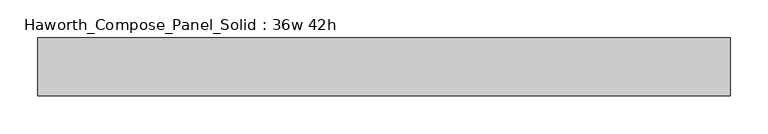
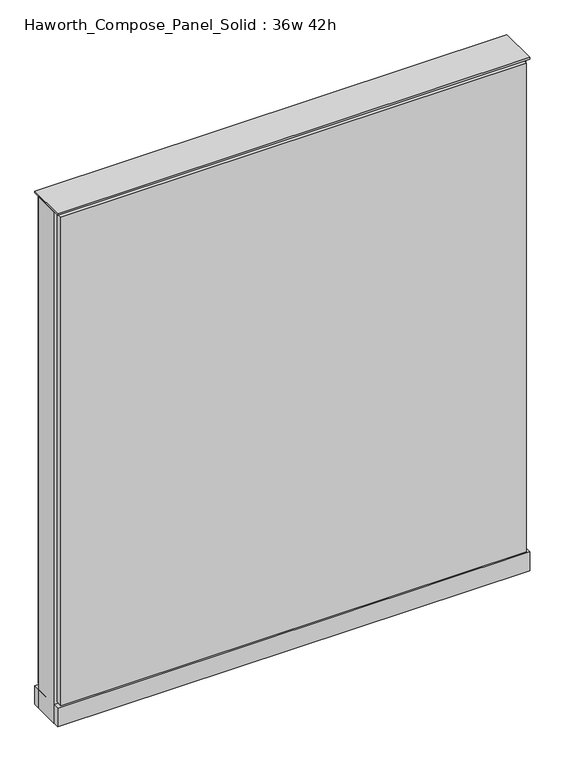
"""IFC4 building model written with IfcOpenShell, lengths in millimetres: furniture geometry, Haworth_Compose_Panel_Solid : 36w 42h."""

from ifc_helpers import new_model, si_unit, point, frame, frame_2d, origin, origin_with_axes, place, context, project, spatial, polyline, circle_curve, trimmed, segment, composite_curve, outline, extrude, source, transform, mapped, element, save


def haworth_compose_panel_solid_36w_42h_12b23883(model_context):
    return source(origin(), model_context, "Body", "SweptSolid", [
        extrude(outline(composite_curve([segment(trimmed(circle_curve(frame_2d((-378.5597098, 0.0)), 12.7), [point((-391.2597098, 0.0))], [point((-365.8597098, 0.0))], False, "CARTESIAN"), True, "CONTINUOUS"), segment(trimmed(circle_curve(frame_2d((-378.5597098, 0.0)), 12.7), [point((-365.8597098, 0.0))], [point((-391.2597098, 0.0))], False, "CARTESIAN"), True, "CONTINUOUS")], self_intersect=False)), origin_with_axes(), (0.0, 0.0, 1.0), 12.7),
        extrude(outline(composite_curve([segment(trimmed(circle_curve(frame_2d((383.4402902, 0.0)), 12.7), [point((370.7402902, 0.0))], [point((396.1402902, 0.0))], False, "CARTESIAN"), True, "CONTINUOUS"), segment(trimmed(circle_curve(frame_2d((383.4402902, 0.0)), 12.7), [point((396.1402902, 0.0))], [point((370.7402902, 0.0))], False, "CARTESIAN"), True, "CONTINUOUS")], self_intersect=False)), origin_with_axes(), (0.0, 0.0, 1.0), 12.7),
        extrude(outline(polyline([(453.2902902, 38.1), (453.2902902, 25.4), (-448.4097098, 25.4), (-448.4097098, 38.1), (453.2902902, 38.1)])), frame((0.0, 0.0, 53.975), z_axis=(0.0, 0.0, 1.0), x_axis=(1.0, 0.0, 0.0)), (0.0, 0.0, 1.0), 1000.125),
        extrude(outline(polyline([(453.2902902, -38.1), (-448.4097098, -38.1), (-448.4097098, -25.4), (453.2902902, -25.4), (453.2902902, -38.1)])), frame((0.0, 0.0, 53.975), z_axis=(0.0, 0.0, 1.0), x_axis=(1.0, 0.0, 0.0)), (0.0, 0.0, 1.0), 1000.125),
        extrude(outline(polyline([(459.6402902, 25.4), (459.6402902, -25.4), (-454.7597098, -25.4), (-454.7597098, 25.4), (459.6402902, 25.4)])), frame((0.0, 0.0, 12.7), z_axis=(0.0, 0.0, 1.0), x_axis=(1.0, 0.0, 0.0)), (0.0, 0.0, 1.0), 1047.75),
        extrude(outline(polyline([(-454.7597098, -38.1), (-454.7597098, 38.1), (459.6402902, 38.1), (459.6402902, -38.1), (-454.7597098, -38.1)])), frame((0.0, 0.0, 12.7), z_axis=(0.0, 0.0, 1.0), x_axis=(1.0, 0.0, 0.0)), (0.0, 0.0, 1.0), 38.1),
        extrude(outline(polyline([(-454.7597098, -38.1), (-454.7597098, 38.1), (459.6402902, 38.1), (459.6402902, -38.1), (-454.7597098, -38.1)])), frame((0.0, 0.0, 1060.45), z_axis=(0.0, 0.0, 1.0), x_axis=(1.0, 0.0, 0.0)), (0.0, 0.0, 1.0), 3.175),
    ])


if __name__ == "__main__":
    model = new_model("IFC4")
    model_context = context("Model", 3, world=origin())
    ifc_project = project(units=[si_unit("LENGTHUNIT", "METRE", prefix="MILLI")], contexts=[model_context])
    site = spatial("IfcSite", under=ifc_project)
    building = spatial("IfcBuilding", under=site)
    placement = place(None, origin())
    haworth_compose_panel_solid_36w_42h_shape = haworth_compose_panel_solid_36w_42h_12b23883(model_context)
    element("IfcFurniture", 1, ObjectType="Haworth_Compose_Panel_Solid : 36w 42h", at=placement, inside=building, context=model_context, shape_type="MappedRepresentation", body=[
        mapped(haworth_compose_panel_solid_36w_42h_shape, transform((0.0, 0.0, 0.0), x_axis=(1.0, 0.0, 0.0), y_axis=(0.0, 1.0, 0.0), z_axis=(0.0, 0.0, 1.0))),
    ])
    save(model, "model.ifc")
